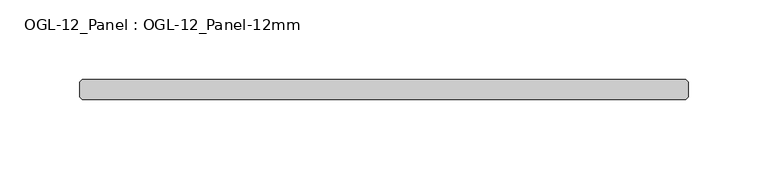
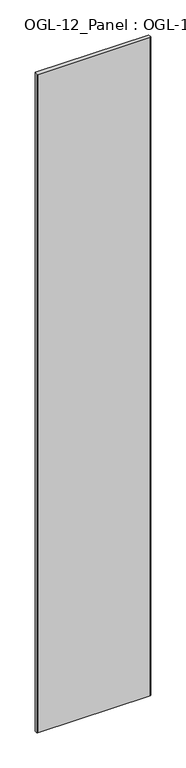
"""IFC4 building model written with IfcOpenShell, lengths in millimetres: plate geometry, OGL-12_Panel : OGL-12_Panel-12mm."""

import ifcopenshell
import ifcopenshell.guid

model = None  # the IFC model being written
_history = None  # IfcOwnerHistory: only IFC2X3 demands one
_inside = {}  # id of a spatial element -> (the spatial element, [elements in it])
_under = {}  # id of a project, library or spatial element -> (it, [spatial elements below it])
_declared = {}  # id of a project -> (the project, [libraries it declares])
_typed = {}  # id of a type object -> (the type object, [elements of that type])
_made_of = {}  # id of a material, layer set ... -> (it, [elements and type objects made of it])


def new_model(schema):
    """Start an empty IFC model of exactly this schema.

    Asked for "IFC4X3", IfcOpenShell would pick the latest addendum, in which some entities
    have other attributes; the version numbers below select the first issue.
    IFC2X3 requires an IfcOwnerHistory on every rooted entity: one is made here for all.
    """
    global model, _history
    if schema == "IFC4X3":
        model = ifcopenshell.file(schema_version=(4, 3, 0, 0))
    else:
        model = ifcopenshell.file(schema=schema)
    _inside.clear()
    _under.clear()
    _declared.clear()
    _typed.clear()
    _made_of.clear()
    _history = None
    if model.schema == "IFC2X3":
        org = make("IfcOrganization", Name="unknown")
        user = make(
            "IfcPersonAndOrganization",
            ThePerson=make("IfcPerson", FamilyName="unknown"),
            TheOrganization=org,
        )
        app = make(
            "IfcApplication",
            ApplicationDeveloper=org,
            Version="unknown",
            ApplicationFullName="unknown",
            ApplicationIdentifier="unknown",
        )
        _history = make(
            "IfcOwnerHistory",
            OwningUser=user,
            OwningApplication=app,
            ChangeAction="ADDED",
            CreationDate=0,
        )
    return model


def make(cls, **values):
    """One entity of the class cls with the attributes given. An attribute that is None is left unset."""
    return model.create_entity(
        cls, **{name: value for name, value in values.items() if value is not None}
    )


def rooted(cls, **values):
    """An entity with a GlobalId (a new one), such as an element, a storey or a relation."""
    return make(cls, GlobalId=ifcopenshell.guid.new(), OwnerHistory=_history, **values)


def si_unit(unit_type, name, prefix=None):
    """IfcSIUnit, for example si_unit("LENGTHUNIT", "METRE", prefix="MILLI")."""
    return make("IfcSIUnit", UnitType=unit_type, Prefix=prefix, Name=name)


def assignment(units):
    """IfcUnitAssignment: the units of a project."""
    return None if units is None else make("IfcUnitAssignment", Units=units)


def point(xyz):
    """IfcCartesianPoint."""
    return None if xyz is None else make("IfcCartesianPoint", Coordinates=xyz)


def direction(xyz):
    """IfcDirection."""
    return None if xyz is None else make("IfcDirection", DirectionRatios=xyz)


def frame(location, z_axis=None, x_axis=None):
    """IfcAxis2Placement3D, a coordinate frame: its origin and axes. An axis left out is left unset."""
    return make(
        "IfcAxis2Placement3D",
        Location=point(location),
        Axis=direction(z_axis),
        RefDirection=direction(x_axis),
    )


def origin():
    """The frame at (0, 0, 0) with its axes left unset."""
    return frame((0.0, 0.0, 0.0))


def origin_with_axes():
    """The frame at (0, 0, 0) with the z axis (0, 0, 1) and the x axis (1, 0, 0) written out."""
    return frame((0.0, 0.0, 0.0), z_axis=(0.0, 0.0, 1.0), x_axis=(1.0, 0.0, 0.0))


def place(relative_to, where):
    """IfcLocalPlacement: puts the frame where relative to a parent placement (None: the world)."""
    return make(
        "IfcLocalPlacement", PlacementRelTo=relative_to, RelativePlacement=where
    )


def context(
    kind, dimensions, precision=None, world=None, true_north=None, identifier=None
):
    """IfcGeometricRepresentationContext, for example the 3D "Model" context."""
    return make(
        "IfcGeometricRepresentationContext",
        ContextIdentifier=identifier,
        ContextType=kind,
        CoordinateSpaceDimension=dimensions,
        Precision=precision,
        WorldCoordinateSystem=world,
        TrueNorth=true_north,
    )


def project(units=None, contexts=None):
    """IfcProject with its units and contexts."""
    return rooted(
        "IfcProject",
        Name="project",
        RepresentationContexts=contexts,
        UnitsInContext=assignment(units),
    )


def spatial(cls, under=None, at=None, **own):
    """A site, building, storey or space (cls), placed at a placement, below another one or the project."""
    s = rooted(cls, ObjectPlacement=at, **own)
    if under is not None:
        _under.setdefault(under.id(), (under, []))[1].append(s)
    return s


def polyline(points):
    """IfcPolyline through the points."""
    return make("IfcPolyline", Points=[point(p) for p in points])


def outline(outer, holes=None, kind="AREA"):
    """IfcArbitraryClosedProfileDef: a profile drawn as a closed curve; with holes, ...WithVoids."""
    if holes is None:
        return make("IfcArbitraryClosedProfileDef", ProfileType=kind, OuterCurve=outer)
    return make(
        "IfcArbitraryProfileDefWithVoids",
        ProfileType=kind,
        OuterCurve=outer,
        InnerCurves=holes,
    )


def extrude(swept, where, along, depth):
    """IfcExtrudedAreaSolid: the profile swept, set in the frame where, extruded along a direction by depth."""
    return make(
        "IfcExtrudedAreaSolid",
        SweptArea=swept,
        Position=where,
        ExtrudedDirection=direction(along),
        Depth=depth,
    )


def shape(context_of_items, identifier, shape_type, items):
    """IfcShapeRepresentation: the items that make up one representation, for example the "Body"."""
    return make(
        "IfcShapeRepresentation",
        ContextOfItems=context_of_items,
        RepresentationIdentifier=identifier,
        RepresentationType=shape_type,
        Items=items,
    )


def source(mapping_origin, context_of_items, identifier, shape_type, items):
    """IfcRepresentationMap: a shape defined once, which mapped items show again and again."""
    return make(
        "IfcRepresentationMap",
        MappingOrigin=mapping_origin,
        MappedRepresentation=shape(context_of_items, identifier, shape_type, items),
    )


def transform(
    local_origin,
    x_axis=None,
    y_axis=None,
    z_axis=None,
    scale=None,
    scale2=None,
    scale3=None,
    uniform=True,
):
    """IfcCartesianTransformationOperator3D, or its non-uniform kind. x_axis, y_axis, z_axis: its Axis1, 2, 3."""
    if uniform:
        return make(
            "IfcCartesianTransformationOperator3D",
            Axis1=direction(x_axis),
            Axis2=direction(y_axis),
            LocalOrigin=point(local_origin),
            Scale=scale,
            Axis3=direction(z_axis),
        )
    return make(
        "IfcCartesianTransformationOperator3DnonUniform",
        Axis1=direction(x_axis),
        Axis2=direction(y_axis),
        LocalOrigin=point(local_origin),
        Scale=scale,
        Axis3=direction(z_axis),
        Scale2=scale2,
        Scale3=scale3,
    )


def mapped(mapping_source, mapping_target):
    """IfcMappedItem: shows the shape of a source again, moved by a transform."""
    return make(
        "IfcMappedItem", MappingSource=mapping_source, MappingTarget=mapping_target
    )


def made_of(thing, what):
    """Note that an element or type object is made of a material, layer set ...; save() writes the relation."""
    if what is not None:
        _made_of.setdefault(what.id(), (what, []))[1].append(thing)
    return thing


def element(
    cls,
    number,
    at=None,
    inside=None,
    cuts=None,
    type_object=None,
    material=None,
    context=None,
    identifier="Body",
    shape_type=None,
    held_by="IfcProductDefinitionShape",
    body=None,
    shapes=None,
    **own,
):
    """One element of the class cls, such as IfcWall. Its Tag is "e" and its number.

    at: its placement. inside: the storey or other place that contains it. cuts: it is an
    opening in that element (IfcRelVoidsElement). A single representation is given by context,
    identifier, shape_type and body (its items); several are given by shapes. held_by: the class
    of the entity that holds the representations. save() writes the other relations.
    """
    e = rooted(cls, Tag="e%d" % number, ObjectPlacement=at, **own)
    if body is not None:
        shapes = [shape(context, identifier, shape_type, body)]
    if shapes is not None:
        e.Representation = make(held_by, Representations=shapes)
    if inside is not None:
        _inside.setdefault(inside.id(), (inside, []))[1].append(e)
    if cuts is not None:
        rooted(
            "IfcRelVoidsElement", RelatingBuildingElement=cuts, RelatedOpeningElement=e
        )
    if type_object is not None:
        _typed.setdefault(type_object.id(), (type_object, []))[1].append(e)
    return made_of(e, material)


def aggregate(whole, parts):
    """IfcRelAggregates: a whole, such as a stair, and the parts it consists of."""
    return rooted("IfcRelAggregates", RelatingObject=whole, RelatedObjects=parts)


def save(model, path):
    """Write the relations noted so far, then the file.

    IfcRelAggregates (storeys below a building ...), IfcRelContainedInSpatialStructure (elements
    in a storey), IfcRelDefinesByType, IfcRelAssociatesMaterial and IfcRelDeclares: one each for
    every whole, place, type object, material and project.
    """
    for whole, parts in _under.values():
        aggregate(whole, parts)
    for where, things in _inside.values():
        rooted(
            "IfcRelContainedInSpatialStructure",
            RelatedElements=things,
            RelatingStructure=where,
        )
    for kind, things in _typed.values():
        rooted("IfcRelDefinesByType", RelatedObjects=things, RelatingType=kind)
    for what, things in _made_of.values():
        rooted("IfcRelAssociatesMaterial", RelatedObjects=things, RelatingMaterial=what)
    for by, libraries in _declared.values():
        rooted("IfcRelDeclares", RelatingContext=by, RelatedDefinitions=libraries)
    model.write(path)


def ogl_12_panel_ogl_12_panel_12mm_d1500328(model_context):
    return source(origin(), model_context, "Body", "SweptSolid", [
        extrude(outline(polyline([(189.7080201, 29.1703125), (191.2955201, 27.5828125), (191.2955201, 18.0578125), (189.7080201, 16.4703125), (-189.7080201, 16.4703125), (-191.2955201, 18.0578125), (-191.2955201, 27.5828125), (-189.7080201, 29.1703125), (189.7080201, 29.1703125)])), origin_with_axes(), (0.0, 0.0, 1.0), 2339.914687),
    ])


if __name__ == "__main__":
    model = new_model("IFC4")
    model_context = context("Model", 3, world=origin())
    ifc_project = project(units=[si_unit("LENGTHUNIT", "METRE", prefix="MILLI")], contexts=[model_context])
    site = spatial("IfcSite", under=ifc_project)
    building = spatial("IfcBuilding", under=site)
    placement = place(None, origin())
    ogl_12_panel_ogl_12_panel_12mm_shape = ogl_12_panel_ogl_12_panel_12mm_d1500328(model_context)
    element("IfcPlate", 1, ObjectType="OGL-12_Panel : OGL-12_Panel-12mm", at=placement, inside=building, context=model_context, shape_type="MappedRepresentation", body=[
        mapped(ogl_12_panel_ogl_12_panel_12mm_shape, transform((0.0, 0.0, 0.0), x_axis=(1.0, 0.0, 0.0), y_axis=(0.0, 1.0, 0.0), z_axis=(0.0, 0.0, 1.0))),
    ])
    save(model, "model.ifc")
